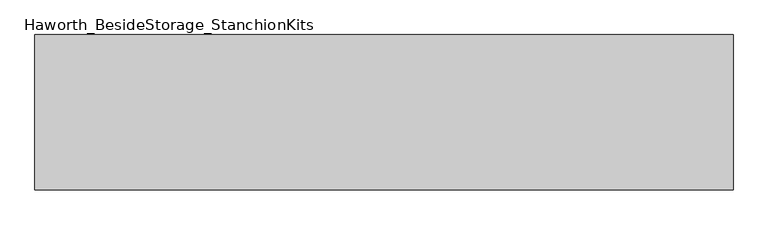
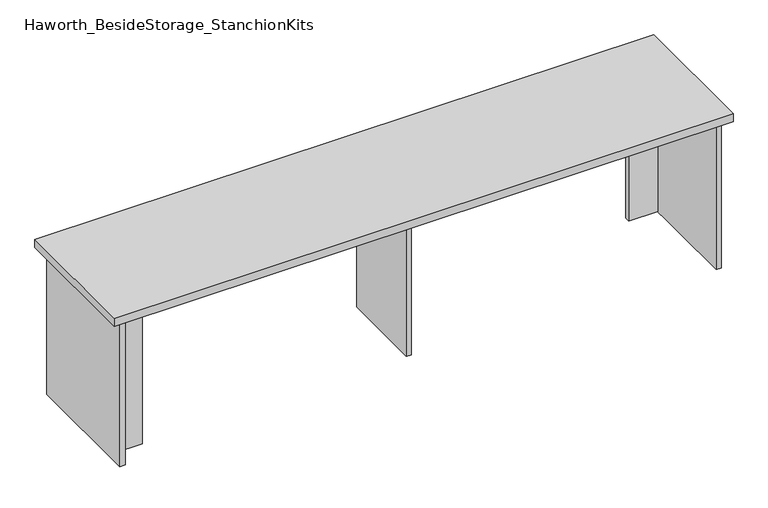
"""IFC4 building model written with IfcOpenShell, lengths in millimetres: furniture geometry, Haworth_BesideStorage_StanchionKits."""

from ifc_helpers import new_model, si_unit, frame, origin, place, context, project, spatial, polyline, outline, extrude, source, transform, mapped, element, save


def haworth_besidestorage_stanchionkits_4018792e(model_context):
    return source(origin(), model_context, "Body", "SweptSolid", [
        extrude(outline(polyline([(1076.325, 0.0), (1076.325, -406.4), (-752.475, -406.4), (-752.475, 0.0), (1076.325, 0.0)])), frame((0.0, 0.0, 889.0), z_axis=(0.0, 0.0, 1.0), x_axis=(1.0, 0.0, 0.0)), (0.0, 0.0, 1.0), 25.4),
        extrude(outline(polyline([(949.325, -76.2), (1035.05, -76.2), (1035.05, -92.075), (949.325, -92.075), (949.325, -76.2)])), frame((0.0, 0.0, 431.8), z_axis=(0.0, 0.0, 1.0), x_axis=(1.0, 0.0, 0.0)), (0.0, 0.0, 1.0), 457.2),
        extrude(outline(polyline([(-625.475, -314.325), (-625.475, -330.2), (-711.2, -330.2), (-711.2, -314.325), (-625.475, -314.325)])), frame((0.0, 0.0, 431.8), z_axis=(0.0, 0.0, 1.0), x_axis=(1.0, 0.0, 0.0)), (0.0, 0.0, 1.0), 457.2),
        extrude(outline(polyline([(169.8625, -330.2), (153.9875, -330.2), (153.9875, -76.2), (169.8625, -76.2), (169.8625, -330.2)])), frame((0.0, 0.0, 431.8), z_axis=(0.0, 0.0, 1.0), x_axis=(1.0, 0.0, 0.0)), (0.0, 0.0, 1.0), 457.2),
        extrude(outline(polyline([(1050.925, -390.525), (1035.05, -390.525), (1035.05, -15.875), (1050.925, -15.875), (1050.925, -390.525)])), frame((0.0, 0.0, 431.8), z_axis=(0.0, 0.0, 1.0), x_axis=(1.0, 0.0, 0.0)), (0.0, 0.0, 1.0), 457.2),
        extrude(outline(polyline([(-711.2, -390.525), (-727.075, -390.525), (-727.075, -15.875), (-711.2, -15.875), (-711.2, -390.525)])), frame((0.0, 0.0, 431.8), z_axis=(0.0, 0.0, 1.0), x_axis=(1.0, 0.0, 0.0)), (0.0, 0.0, 1.0), 457.2),
    ])


if __name__ == "__main__":
    model = new_model("IFC4")
    model_context = context("Model", 3, world=origin())
    ifc_project = project(units=[si_unit("LENGTHUNIT", "METRE", prefix="MILLI")], contexts=[model_context])
    site = spatial("IfcSite", under=ifc_project)
    building = spatial("IfcBuilding", under=site)
    placement = place(None, origin())
    haworth_besidestorage_stanchionkits_shape = haworth_besidestorage_stanchionkits_4018792e(model_context)
    element("IfcFurniture", 1, ObjectType="Haworth_BesideStorage_StanchionKits", at=placement, inside=building, context=model_context, shape_type="MappedRepresentation", body=[
        mapped(haworth_besidestorage_stanchionkits_shape, transform((0.0, 0.0, 0.0), x_axis=(1.0, 0.0, 0.0), y_axis=(0.0, 1.0, 0.0), z_axis=(0.0, 0.0, 1.0))),
    ])
    save(model, "model.ifc")
